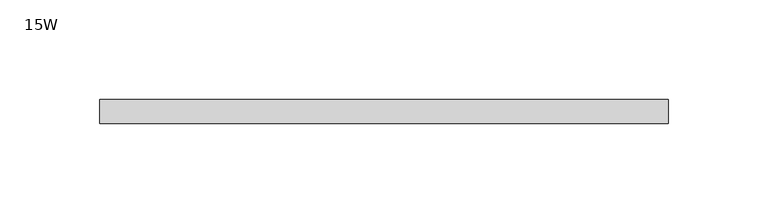
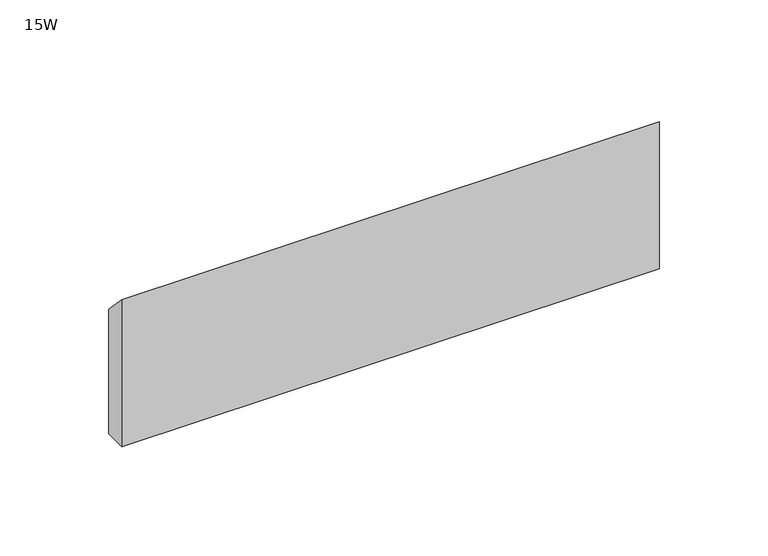
"""IFC4 building model written with IfcOpenShell, lengths in millimetres: furniture geometry, 15W."""

from ifc_helpers import new_model, si_unit, frame, origin, place, context, project, spatial, polyline, outline, extrude, source, transform, mapped, element, save


def furniture_15w_93ea4de4(model_context):
    return source(origin(), model_context, "Body", "SweptSolid", [
        extrude(outline(polyline([(-11.938, 978.154), (-11.938, 1060.704), (0.0, 1048.004), (0.0, 978.154), (-11.938, 978.154)])), frame((48.006, 0.0, 0.0), z_axis=(1.0, 0.0, 0.0), x_axis=(0.0, 1.0, 0.0)), (0.0, 0.0, 1.0), 284.988),
    ])


if __name__ == "__main__":
    model = new_model("IFC4")
    model_context = context("Model", 3, world=origin())
    ifc_project = project(units=[si_unit("LENGTHUNIT", "METRE", prefix="MILLI")], contexts=[model_context])
    site = spatial("IfcSite", under=ifc_project)
    building = spatial("IfcBuilding", under=site)
    placement = place(None, origin())
    furniture_15w_shape = furniture_15w_93ea4de4(model_context)
    element("IfcFurniture", 1, ObjectType="15W", at=placement, inside=building, context=model_context, shape_type="MappedRepresentation", body=[
        mapped(furniture_15w_shape, transform((0.0, 0.0, 0.0), x_axis=(1.0, 0.0, 0.0), y_axis=(0.0, 1.0, 0.0), z_axis=(0.0, 0.0, 1.0))),
    ])
    save(model, "model.ifc")
